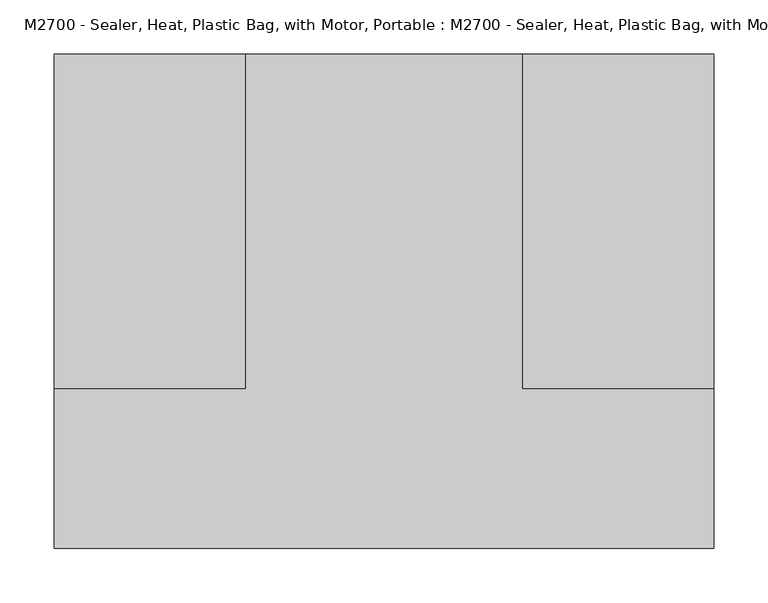
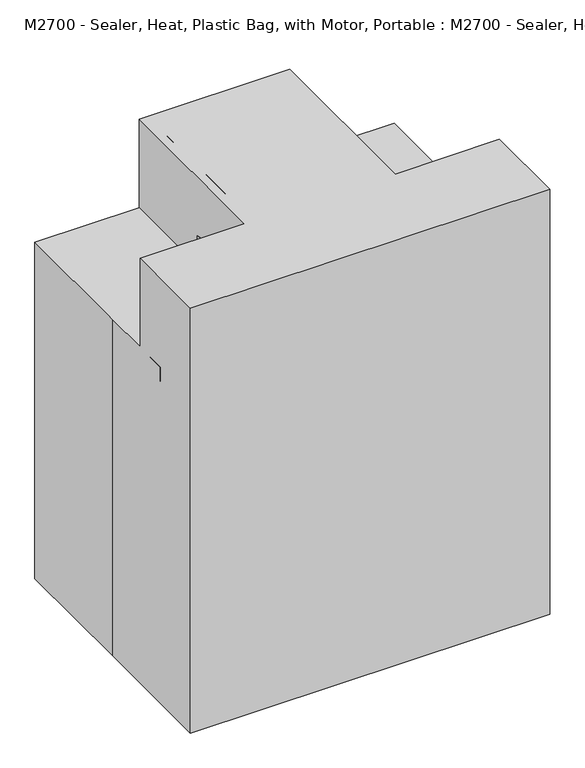
"""IFC4 building model written with IfcOpenShell, lengths in millimetres: proxy geometry, M2700 - Sealer, Heat, Plastic Bag, with Motor, Portable : M2700 - Sealer, Heat, Plastic Bag, with Motor, Portable."""

import ifcopenshell
import ifcopenshell.guid

model = None  # the IFC model being written
_history = None  # IfcOwnerHistory: only IFC2X3 demands one
_inside = {}  # id of a spatial element -> (the spatial element, [elements in it])
_under = {}  # id of a project, library or spatial element -> (it, [spatial elements below it])
_declared = {}  # id of a project -> (the project, [libraries it declares])
_typed = {}  # id of a type object -> (the type object, [elements of that type])
_made_of = {}  # id of a material, layer set ... -> (it, [elements and type objects made of it])


def new_model(schema):
    """Start an empty IFC model of exactly this schema.

    Asked for "IFC4X3", IfcOpenShell would pick the latest addendum, in which some entities
    have other attributes; the version numbers below select the first issue.
    IFC2X3 requires an IfcOwnerHistory on every rooted entity: one is made here for all.
    """
    global model, _history
    if schema == "IFC4X3":
        model = ifcopenshell.file(schema_version=(4, 3, 0, 0))
    else:
        model = ifcopenshell.file(schema=schema)
    _inside.clear()
    _under.clear()
    _declared.clear()
    _typed.clear()
    _made_of.clear()
    _history = None
    if model.schema == "IFC2X3":
        org = make("IfcOrganization", Name="unknown")
        user = make(
            "IfcPersonAndOrganization",
            ThePerson=make("IfcPerson", FamilyName="unknown"),
            TheOrganization=org,
        )
        app = make(
            "IfcApplication",
            ApplicationDeveloper=org,
            Version="unknown",
            ApplicationFullName="unknown",
            ApplicationIdentifier="unknown",
        )
        _history = make(
            "IfcOwnerHistory",
            OwningUser=user,
            OwningApplication=app,
            ChangeAction="ADDED",
            CreationDate=0,
        )
    return model


def make(cls, **values):
    """One entity of the class cls with the attributes given. An attribute that is None is left unset."""
    return model.create_entity(
        cls, **{name: value for name, value in values.items() if value is not None}
    )


def rooted(cls, **values):
    """An entity with a GlobalId (a new one), such as an element, a storey or a relation."""
    return make(cls, GlobalId=ifcopenshell.guid.new(), OwnerHistory=_history, **values)


def si_unit(unit_type, name, prefix=None):
    """IfcSIUnit, for example si_unit("LENGTHUNIT", "METRE", prefix="MILLI")."""
    return make("IfcSIUnit", UnitType=unit_type, Prefix=prefix, Name=name)


def assignment(units):
    """IfcUnitAssignment: the units of a project."""
    return None if units is None else make("IfcUnitAssignment", Units=units)


def point(xyz):
    """IfcCartesianPoint."""
    return None if xyz is None else make("IfcCartesianPoint", Coordinates=xyz)


def direction(xyz):
    """IfcDirection."""
    return None if xyz is None else make("IfcDirection", DirectionRatios=xyz)


def frame(location, z_axis=None, x_axis=None):
    """IfcAxis2Placement3D, a coordinate frame: its origin and axes. An axis left out is left unset."""
    return make(
        "IfcAxis2Placement3D",
        Location=point(location),
        Axis=direction(z_axis),
        RefDirection=direction(x_axis),
    )


def frame_2d(location, x_axis=None):
    """IfcAxis2Placement2D, a coordinate frame in the plane: its origin and x axis."""
    return make(
        "IfcAxis2Placement2D", Location=point(location), RefDirection=direction(x_axis)
    )


def origin():
    """The frame at (0, 0, 0) with its axes left unset."""
    return frame((0.0, 0.0, 0.0))


def origin_with_axes():
    """The frame at (0, 0, 0) with the z axis (0, 0, 1) and the x axis (1, 0, 0) written out."""
    return frame((0.0, 0.0, 0.0), z_axis=(0.0, 0.0, 1.0), x_axis=(1.0, 0.0, 0.0))


def place(relative_to, where):
    """IfcLocalPlacement: puts the frame where relative to a parent placement (None: the world)."""
    return make(
        "IfcLocalPlacement", PlacementRelTo=relative_to, RelativePlacement=where
    )


def context(
    kind, dimensions, precision=None, world=None, true_north=None, identifier=None
):
    """IfcGeometricRepresentationContext, for example the 3D "Model" context."""
    return make(
        "IfcGeometricRepresentationContext",
        ContextIdentifier=identifier,
        ContextType=kind,
        CoordinateSpaceDimension=dimensions,
        Precision=precision,
        WorldCoordinateSystem=world,
        TrueNorth=true_north,
    )


def project(units=None, contexts=None):
    """IfcProject with its units and contexts."""
    return rooted(
        "IfcProject",
        Name="project",
        RepresentationContexts=contexts,
        UnitsInContext=assignment(units),
    )


def spatial(cls, under=None, at=None, **own):
    """A site, building, storey or space (cls), placed at a placement, below another one or the project."""
    s = rooted(cls, ObjectPlacement=at, **own)
    if under is not None:
        _under.setdefault(under.id(), (under, []))[1].append(s)
    return s


def polyline(points):
    """IfcPolyline through the points."""
    return make("IfcPolyline", Points=[point(p) for p in points])


def circle_curve(where, radius):
    """IfcCircle in the frame where."""
    return make("IfcCircle", Position=where, Radius=radius)


def trimmed(basis, trim1, trim2, sense, master):
    """IfcTrimmedCurve: the piece of a basis curve between two trims."""
    return make(
        "IfcTrimmedCurve",
        BasisCurve=basis,
        Trim1=trim1,
        Trim2=trim2,
        SenseAgreement=sense,
        MasterRepresentation=master,
    )


def segment(curve, same_sense, transition):
    """IfcCompositeCurveSegment."""
    return make(
        "IfcCompositeCurveSegment",
        Transition=transition,
        SameSense=same_sense,
        ParentCurve=curve,
    )


def composite_curve(segments, self_intersect=None):
    """IfcCompositeCurve: segments joined end to end."""
    return make("IfcCompositeCurve", Segments=segments, SelfIntersect=self_intersect)


def outline(outer, holes=None, kind="AREA"):
    """IfcArbitraryClosedProfileDef: a profile drawn as a closed curve; with holes, ...WithVoids."""
    if holes is None:
        return make("IfcArbitraryClosedProfileDef", ProfileType=kind, OuterCurve=outer)
    return make(
        "IfcArbitraryProfileDefWithVoids",
        ProfileType=kind,
        OuterCurve=outer,
        InnerCurves=holes,
    )


def extrude(swept, where, along, depth):
    """IfcExtrudedAreaSolid: the profile swept, set in the frame where, extruded along a direction by depth."""
    return make(
        "IfcExtrudedAreaSolid",
        SweptArea=swept,
        Position=where,
        ExtrudedDirection=direction(along),
        Depth=depth,
    )


def faces_of(points, faces, orient=None, outer=None):
    """IfcFace entities. A face is a list of loops; a loop is a list of indices into points, from 0.

    orient and outer hold one flag for each loop. By default every Orientation is true, the
    first loop of a face is its IfcFaceOuterBound and the others are IfcFaceBound.
    """
    made = []
    for i, loops in enumerate(faces):
        bounds = []
        for j, loop in enumerate(loops):
            is_outer = j == 0 if outer is None else outer[i][j]
            bounds.append(
                make(
                    "IfcFaceOuterBound" if is_outer else "IfcFaceBound",
                    Bound=make("IfcPolyLoop", Polygon=[points[k] for k in loop]),
                    Orientation=True if orient is None else orient[i][j],
                )
            )
        made.append(make("IfcFace", Bounds=bounds))
    return made


def faceted_brep(points, faces, orient=None, outer=None, voids=None):
    """IfcFacetedBrep: a solid bounded by flat faces; with voids (closed shells), ...WithVoids."""
    shared = [point(p) for p in points]
    hull = make("IfcClosedShell", CfsFaces=faces_of(shared, faces, orient, outer))
    if voids is None:
        return make("IfcFacetedBrep", Outer=hull)
    return make(
        "IfcFacetedBrepWithVoids",
        Outer=hull,
        Voids=[
            make(cls, CfsFaces=faces_of(shared, fs, o, b)) for cls, fs, o, b in voids
        ],
    )


def shape(context_of_items, identifier, shape_type, items):
    """IfcShapeRepresentation: the items that make up one representation, for example the "Body"."""
    return make(
        "IfcShapeRepresentation",
        ContextOfItems=context_of_items,
        RepresentationIdentifier=identifier,
        RepresentationType=shape_type,
        Items=items,
    )


def source(mapping_origin, context_of_items, identifier, shape_type, items):
    """IfcRepresentationMap: a shape defined once, which mapped items show again and again."""
    return make(
        "IfcRepresentationMap",
        MappingOrigin=mapping_origin,
        MappedRepresentation=shape(context_of_items, identifier, shape_type, items),
    )


def transform(
    local_origin,
    x_axis=None,
    y_axis=None,
    z_axis=None,
    scale=None,
    scale2=None,
    scale3=None,
    uniform=True,
):
    """IfcCartesianTransformationOperator3D, or its non-uniform kind. x_axis, y_axis, z_axis: its Axis1, 2, 3."""
    if uniform:
        return make(
            "IfcCartesianTransformationOperator3D",
            Axis1=direction(x_axis),
            Axis2=direction(y_axis),
            LocalOrigin=point(local_origin),
            Scale=scale,
            Axis3=direction(z_axis),
        )
    return make(
        "IfcCartesianTransformationOperator3DnonUniform",
        Axis1=direction(x_axis),
        Axis2=direction(y_axis),
        LocalOrigin=point(local_origin),
        Scale=scale,
        Axis3=direction(z_axis),
        Scale2=scale2,
        Scale3=scale3,
    )


def mapped(mapping_source, mapping_target):
    """IfcMappedItem: shows the shape of a source again, moved by a transform."""
    return make(
        "IfcMappedItem", MappingSource=mapping_source, MappingTarget=mapping_target
    )


def made_of(thing, what):
    """Note that an element or type object is made of a material, layer set ...; save() writes the relation."""
    if what is not None:
        _made_of.setdefault(what.id(), (what, []))[1].append(thing)
    return thing


def element(
    cls,
    number,
    at=None,
    inside=None,
    cuts=None,
    type_object=None,
    material=None,
    context=None,
    identifier="Body",
    shape_type=None,
    held_by="IfcProductDefinitionShape",
    body=None,
    shapes=None,
    **own,
):
    """One element of the class cls, such as IfcWall. Its Tag is "e" and its number.

    at: its placement. inside: the storey or other place that contains it. cuts: it is an
    opening in that element (IfcRelVoidsElement). A single representation is given by context,
    identifier, shape_type and body (its items); several are given by shapes. held_by: the class
    of the entity that holds the representations. save() writes the other relations.
    """
    e = rooted(cls, Tag="e%d" % number, ObjectPlacement=at, **own)
    if body is not None:
        shapes = [shape(context, identifier, shape_type, body)]
    if shapes is not None:
        e.Representation = make(held_by, Representations=shapes)
    if inside is not None:
        _inside.setdefault(inside.id(), (inside, []))[1].append(e)
    if cuts is not None:
        rooted(
            "IfcRelVoidsElement", RelatingBuildingElement=cuts, RelatedOpeningElement=e
        )
    if type_object is not None:
        _typed.setdefault(type_object.id(), (type_object, []))[1].append(e)
    return made_of(e, material)


def aggregate(whole, parts):
    """IfcRelAggregates: a whole, such as a stair, and the parts it consists of."""
    return rooted("IfcRelAggregates", RelatingObject=whole, RelatedObjects=parts)


def save(model, path):
    """Write the relations noted so far, then the file.

    IfcRelAggregates (storeys below a building ...), IfcRelContainedInSpatialStructure (elements
    in a storey), IfcRelDefinesByType, IfcRelAssociatesMaterial and IfcRelDeclares: one each for
    every whole, place, type object, material and project.
    """
    for whole, parts in _under.values():
        aggregate(whole, parts)
    for where, things in _inside.values():
        rooted(
            "IfcRelContainedInSpatialStructure",
            RelatedElements=things,
            RelatingStructure=where,
        )
    for kind, things in _typed.values():
        rooted("IfcRelDefinesByType", RelatedObjects=things, RelatingType=kind)
    for what, things in _made_of.values():
        rooted("IfcRelAssociatesMaterial", RelatedObjects=things, RelatingMaterial=what)
    for by, libraries in _declared.values():
        rooted("IfcRelDeclares", RelatingContext=by, RelatedDefinitions=libraries)
    model.write(path)


def m2700_sealer_heat_plastic_bag_with_motor_portable_m2700_efacfbd9(model_context):
    return source(origin(), model_context, "Body", "SolidModel", [
        extrude(outline(composite_curve([segment(trimmed(circle_curve(frame_2d((0.0, 12.7)), 12.7), [point((0.0, 25.4))], [point((0.0, 0.0))], False, "CARTESIAN"), True, "CONTINUOUS"), segment(trimmed(circle_curve(frame_2d((0.0, 12.7)), 12.7), [point((0.0, 0.0))], [point((0.0, 25.4))], False, "CARTESIAN"), True, "CONTINUOUS")], self_intersect=False)), frame((12.7, -15.9566276, 701.1420918), z_axis=(0.0, -0.7071067811865469, 0.7071067811865482), x_axis=(0.0, 0.7071067811865482, 0.7071067811865469)), (0.0, 0.0, 1.0), 43.6950974),
        faceted_brep([(280.8460579, -90.6708297, 685.9875921), (280.8460579, -80.8223051, 682.4030223), (280.8460579, -80.8223051, 685.7963503), (280.8460579, -141.4708297, 698.6875921), (280.8460579, -141.4708297, 679.6375921), (280.8460579, -90.6708297, 679.6375921), (-280.5077177, -141.4708297, 698.6875921), (-280.5077177, -80.8223051, 685.7963503), (-280.5077177, -80.8223051, 682.4030223), (-280.5077177, -90.6708297, 685.9875921), (-280.5077177, -90.6708297, 679.6375921), (-280.5077177, -141.4708297, 679.6375921), (127.7852068, -80.8223051, 685.7963503), (127.7852068, 58.5191973, 656.1783996), (-127.7852068, 58.5191973, 656.1783996), (-127.7852068, -80.8223051, 685.7963503), (127.7852068, 58.5191973, 631.686863), (-127.7852068, 58.5191973, 631.686863), (-127.7852068, -80.8223051, 682.4030223), (127.7852068, -80.8223051, 682.4030223)], [[[0, 1, 2, 3, 4, 5]], [[6, 7, 8, 9, 10, 11]], [[3, 2, 12, 13, 14, 15, 7, 6]], [[14, 13, 16, 17]], [[9, 8, 18, 17, 16, 19, 1, 0]], [[5, 10, 9, 0]], [[4, 11, 10, 5]], [[3, 6, 11, 4]], [[18, 8, 7, 15]], [[15, 14, 17, 18]], [[12, 2, 1, 19]], [[19, 16, 13, 12]]]),
        extrude(outline(composite_curve([segment(polyline([(127.0, 130.3161106), (127.0, -55.4223051)]), True, "CONTINUOUS"), segment(trimmed(circle_curve(frame_2d((101.6, -55.4223051)), 25.4), [point((127.0, -55.4223051))], [point((101.6, -80.8223051))], False, "CARTESIAN"), True, "CONTINUOUS"), segment(polyline([(101.6, -80.8223051), (-102.3852068, -80.8223051)]), True, "CONTINUOUS"), segment(trimmed(circle_curve(frame_2d((-102.3852068, -55.4223051)), 25.4), [point((-102.3852068, -80.8223051))], [point((-127.7852068, -55.4223051))], False, "CARTESIAN"), True, "CONTINUOUS"), segment(polyline([(-127.7852068, -55.4223051), (-127.7852068, 129.5405353)]), True, "CONTINUOUS"), segment(trimmed(circle_curve(frame_2d((-102.3852068, 129.5405353)), 25.4), [point((-127.7852068, 129.5405353))], [point((-102.3852068, 154.9405353))], False, "CARTESIAN"), True, "CONTINUOUS"), segment(polyline([(-102.3852068, 154.9405353), (-79.375, 154.9405353)]), True, "CONTINUOUS"), segment(trimmed(circle_curve(frame_2d((-79.375, 142.2405353)), 12.7), [point((-79.375, 154.9405353))], [point((-66.675, 142.2405353))], False, "CARTESIAN"), True, "CONTINUOUS"), segment(polyline([(-66.675, 142.2405353), (-66.675, 16.3922681)]), True, "CONTINUOUS"), segment(trimmed(circle_curve(frame_2d((-47.625, 16.3922681)), 19.05), [point((-66.675, 16.3922681))], [point((-47.625, -2.6577319))], True, "CARTESIAN"), True, "CONTINUOUS"), segment(polyline([(-47.625, -2.6577319), (-3.175, -2.6577319), (41.275, -2.6577319)]), True, "CONTINUOUS"), segment(trimmed(circle_curve(frame_2d((41.275, 16.3922681)), 19.05), [point((41.275, -2.6577319))], [point((60.325, 16.3922681))], True, "CARTESIAN"), True, "CONTINUOUS"), segment(polyline([(60.325, 16.3922681), (60.325, 143.0161106)]), True, "CONTINUOUS"), segment(trimmed(circle_curve(frame_2d((73.025, 143.0161106)), 12.7), [point((60.325, 143.0161106))], [point((73.025, 155.7161106))], False, "CARTESIAN"), True, "CONTINUOUS"), segment(polyline([(73.025, 155.7161106), (101.6, 155.7161106)]), True, "CONTINUOUS"), segment(trimmed(circle_curve(frame_2d((101.6, 130.3161106)), 25.4), [point((101.6, 155.7161106))], [point((127.0, 130.3161106))], False, "CARTESIAN"), True, "CONTINUOUS")], self_intersect=False)), frame((0.0, 0.0, 30.5919118), z_axis=(0.0, 0.0, 1.0), x_axis=(1.0, 0.0, 0.0)), (0.0, 0.0, 1.0), 27.2782251),
        extrude(outline(composite_curve([segment(trimmed(circle_curve(frame_2d((-190.5, 149.4929242)), 12.7), [point((-203.2, 149.4929242))], [point((-183.1182749, 159.8273392))], False, "CARTESIAN"), True, "CONTINUOUS"), segment(polyline([(-183.1182749, 159.8273392), (-176.1159248, 154.8256606)]), True, "CONTINUOUS"), segment(trimmed(circle_curve(frame_2d((-10.027111, 387.35)), 285.75), [point((-176.1159248, 154.8256606))], [point((-10.027111, 101.6))], True, "CARTESIAN"), True, "CONTINUOUS"), segment(polyline([(-10.027111, 101.6), (10.027111, 101.6)]), True, "CONTINUOUS"), segment(trimmed(circle_curve(frame_2d((10.027111, 387.35)), 285.75), [point((10.027111, 101.6))], [point((176.1159248, 154.8256606))], True, "CARTESIAN"), True, "CONTINUOUS"), segment(polyline([(176.1159248, 154.8256606), (183.1182749, 159.8273392)]), True, "CONTINUOUS"), segment(trimmed(circle_curve(frame_2d((190.5, 149.4929242)), 12.7), [point((183.1182749, 159.8273392))], [point((203.2, 149.4929242))], False, "CARTESIAN"), True, "CONTINUOUS"), segment(polyline([(203.2, 149.4929242), (203.2, -93.6139601)]), True, "CONTINUOUS"), segment(trimmed(circle_curve(frame_2d((190.5, -93.6139601)), 12.7), [point((203.2, -93.6139601))], [point((180.4752268, -101.4110059))], False, "CARTESIAN"), True, "CONTINUOUS"), segment(polyline([(180.4752268, -101.4110059), (116.8536353, -19.6118168)]), True, "CONTINUOUS"), segment(trimmed(circle_curve(frame_2d((76.7545427, -50.8)), 50.8), [point((116.8536353, -19.6118168))], [point((76.7545427, 0.0))], True, "CARTESIAN"), True, "CONTINUOUS"), segment(polyline([(76.7545427, 0.0), (-76.7545427, 0.0)]), True, "CONTINUOUS"), segment(trimmed(circle_curve(frame_2d((-76.7545427, -50.8)), 50.8), [point((-76.7545427, 0.0))], [point((-116.8536353, -19.6118168))], True, "CARTESIAN"), True, "CONTINUOUS"), segment(polyline([(-116.8536353, -19.6118168), (-180.4752268, -101.4110059)]), True, "CONTINUOUS"), segment(trimmed(circle_curve(frame_2d((-190.5, -93.6139601)), 12.7), [point((-180.4752268, -101.4110059))], [point((-203.2, -93.6139601))], False, "CARTESIAN"), True, "CONTINUOUS"), segment(polyline([(-203.2, -93.6139601), (-203.2, 149.4929242)]), True, "CONTINUOUS")], self_intersect=False)), origin_with_axes(), (0.0, 0.0, 1.0), 30.5919118),
        faceted_brep([(304.8, -228.6, 762.0), (304.8, -80.8223051, 762.0), (127.7852068, -80.8223051, 762.0), (127.7852068, 228.6, 762.0), (-127.7852068, 228.6, 762.0), (-127.7852068, -80.8223051, 762.0), (-304.8, -80.8223051, 762.0), (-304.8, -228.6, 762.0), (-304.8, -228.6, 0.0), (-304.8, 0.0, 0.0), (-304.8, 228.6, 0.0), (304.8, 228.6, 0.0), (304.8, -228.6, 0.0), (-304.8, -80.8223051, 603.4346392), (-304.8, 0.0, 603.4346392), (-304.8, 228.6, 603.4346392), (-127.7852068, 228.6, 603.4346392), (127.7852068, 228.6, 603.4346392), (304.8, 228.6, 603.4346392), (304.8, -80.8223051, 603.4346392), (-127.7852068, -80.8223051, 603.4346392), (127.7852068, -80.8223051, 603.4346392)], [[[0, 1, 2, 3, 4, 5, 6, 7]], [[8, 9, 10, 11, 12]], [[8, 7, 6, 13, 14, 9]], [[9, 14, 15, 10]], [[10, 15, 16, 4, 3, 17, 18, 11]], [[11, 18, 19, 1, 0, 12]], [[7, 8, 12, 0]], [[20, 16, 15, 14, 13]], [[13, 6, 5, 20]], [[20, 5, 4, 16]], [[21, 19, 18, 17]], [[21, 2, 1, 19]], [[17, 3, 2, 21]]]),
        extrude(outline(polyline([(603.25, 304.8), (603.25, 113.2371099), (603.25, -304.8), (577.85, -304.8), (577.85, 304.8), (603.25, 304.8)])), frame((0.0, -140.4618042, 0.0), z_axis=(0.0, 1.0, 0.0), x_axis=(0.0, 0.0, 1.0)), (0.0, 0.0, 1.0), 59.6394991),
        extrude(outline(composite_curve([segment(trimmed(circle_curve(frame_2d((0.0, 24.6438908)), 6.35), [point((-6.35, 24.6438908))], [point((6.35, 24.6438908))], False, "CARTESIAN"), True, "CONTINUOUS"), segment(trimmed(circle_curve(frame_2d((0.0, 24.6438908)), 6.35), [point((6.35, 24.6438908))], [point((-6.35, 24.6438908))], False, "CARTESIAN"), True, "CONTINUOUS")], self_intersect=False)), origin_with_axes(), (0.0, 0.0, 1.0), 603.4346392),
        extrude(outline(polyline([(228.6, 603.4346392), (139.7, 603.4346392), (-80.8223051, 603.4346392), (-80.8223051, 681.1776949), (0.0, 762.0), (228.6, 762.0), (228.6, 603.4346392)])), frame((-114.0497354, 0.0, 0.0), z_axis=(1.0, 0.0, 0.0), x_axis=(0.0, 1.0, 0.0)), (0.0, 0.0, 1.0), 227.2868453),
        extrude(outline(composite_curve([segment(trimmed(circle_curve(frame_2d((0.0, 101.6)), 38.1), [point((-38.1, 101.6))], [point((38.1, 101.6))], False, "CARTESIAN"), True, "CONTINUOUS"), segment(trimmed(circle_curve(frame_2d((0.0, 101.6)), 38.1), [point((38.1, 101.6))], [point((-38.1, 101.6))], False, "CARTESIAN"), True, "CONTINUOUS")], self_intersect=False)), origin_with_axes(), (0.0, 0.0, 1.0), 655.1196973),
        extrude(outline(composite_curve([segment(trimmed(circle_curve(frame_2d((0.0, 101.6)), 50.8), [point((-50.8, 101.6))], [point((50.8, 101.6))], False, "CARTESIAN"), True, "CONTINUOUS"), segment(trimmed(circle_curve(frame_2d((0.0, 101.6)), 50.8), [point((50.8, 101.6))], [point((-50.8, 101.6))], False, "CARTESIAN"), True, "CONTINUOUS")], self_intersect=False)), origin_with_axes(), (0.0, 0.0, 1.0), 75.0984896),
    ])


if __name__ == "__main__":
    model = new_model("IFC4")
    model_context = context("Model", 3, world=origin())
    ifc_project = project(units=[si_unit("LENGTHUNIT", "METRE", prefix="MILLI")], contexts=[model_context])
    site = spatial("IfcSite", under=ifc_project)
    building = spatial("IfcBuilding", under=site)
    placement = place(None, origin())
    m2700_sealer_heat_plastic_bag_with_motor_portable_m2700_shape = m2700_sealer_heat_plastic_bag_with_motor_portable_m2700_efacfbd9(model_context)
    element("IfcBuildingElementProxy", 1, Name="M2700 - Sealer, Heat, Plastic Bag, with Motor, Portable : M2700 - Sealer, Heat, Plastic Bag, with Motor, Portable", ObjectType="M2700 - Sealer, Heat, Plastic Bag, with Motor, Portable : M2700 - Sealer, Heat, Plastic Bag, with Motor, Portable", at=placement, inside=building, context=model_context, shape_type="MappedRepresentation", body=[
        mapped(m2700_sealer_heat_plastic_bag_with_motor_portable_m2700_shape, transform((0.0, 0.0, 0.0), x_axis=(1.0, 0.0, 0.0), y_axis=(0.0, 1.0, 0.0), z_axis=(0.0, 0.0, 1.0))),
    ])
    save(model, "model.ifc")
